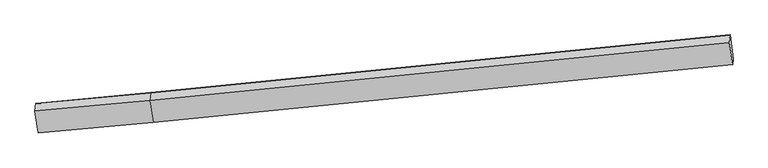
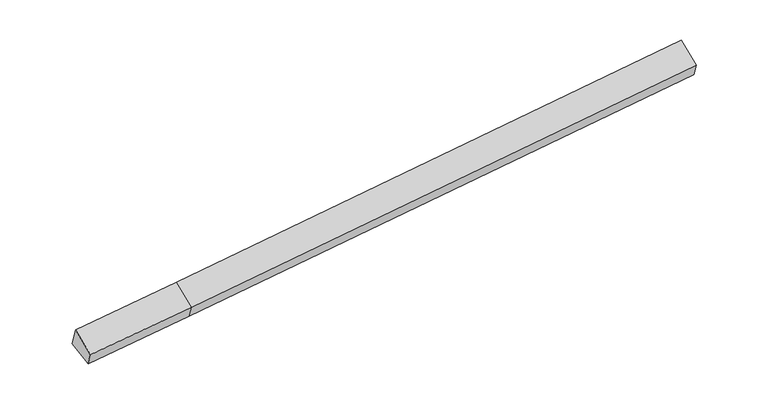
"""IFC4 building model written with IfcOpenShell, lengths in millimetres: proxy geometry."""

from ifc_helpers import new_model, si_unit, origin, place, context, project, spatial, faceted_brep, source, transform, mapped, element, save


def generic_models_e5760fda(model_context):
    return source(origin(), model_context, "Body", "Brep", [
        faceted_brep([(-6919.4685476, -2645.9311903, 1176.766021), (-6997.7042058, -2012.1740342, 1410.4988788), (-4029.6833316, -1737.3692304, 1609.0029206), (-3951.4476733, -2371.1263865, 1375.2700628), (-6998.2783047, -2019.1539813, 1429.2325583), (-4030.2574305, -1744.3491775, 1627.7366001), (-7014.3017281, -2213.9682333, 1952.1000935), (-4046.2808539, -1939.1634295, 2150.6041353), (-6930.3955136, -2778.7822465, 1533.3287652), (-3962.3746394, -2503.9774427, 1731.832807), (10911.1250467, -447.8876608, 3166.7830487), (10995.0312612, -1012.701674, 2748.0117204), (11006.3888014, -874.6156575, 2377.3987166), (10928.1531431, -240.8585013, 2611.1315743), (10927.1484701, -253.0734089, 2643.9155134)], [[[0, 1, 2, 3]], [[1, 4, 5]], [[4, 6, 7, 5]], [[6, 8, 9, 7]], [[8, 0, 3, 9]], [[10, 11, 12, 13, 14]], [[0, 8, 6, 4, 1]], [[5, 2, 1]], [[7, 9, 11, 10]], [[9, 3, 12, 11]], [[3, 2, 13, 12]], [[2, 5, 14, 13]], [[5, 7, 10, 14]]]),
    ])


if __name__ == "__main__":
    model = new_model("IFC4")
    model_context = context("Model", 3, world=origin())
    ifc_project = project(units=[si_unit("LENGTHUNIT", "METRE", prefix="MILLI")], contexts=[model_context])
    site = spatial("IfcSite", under=ifc_project)
    building = spatial("IfcBuilding", under=site)
    placement = place(None, origin())
    generic_models_shape = generic_models_e5760fda(model_context)
    element("IfcBuildingElementProxy", 1, Name="Generic Models", at=placement, inside=building, context=model_context, shape_type="MappedRepresentation", body=[
        mapped(generic_models_shape, transform((0.0, 0.0, 0.0), x_axis=(1.0, 0.0, 0.0), y_axis=(0.0, 1.0, 0.0), z_axis=(0.0, 0.0, 1.0))),
    ])
    save(model, "model.ifc")
